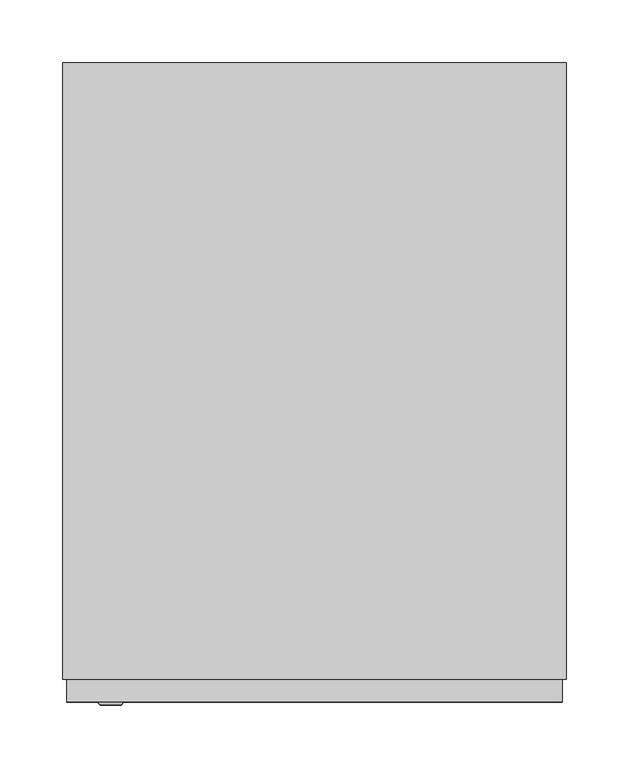
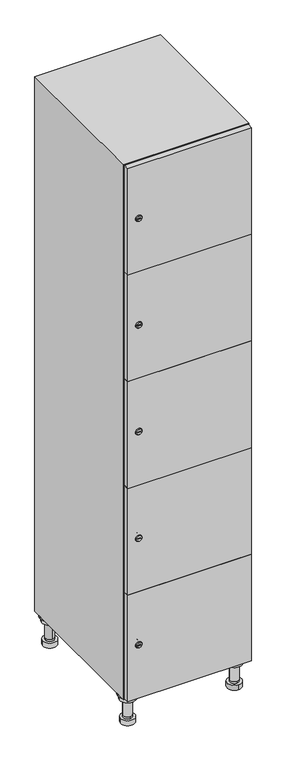
"""IFC4 building model written with IfcOpenShell, lengths in millimetres: furniture geometry."""

from ifc_helpers import new_model, si_unit, point, frame, frame_2d, origin, place, context, project, spatial, polyline, circle_curve, trimmed, segment, composite_curve, outline, extrude, faceted_brep, source, transform, mapped, element, save
from ifc_brep_helpers import plane_surface, cylinder_surface, revolved_surface, advanced_brep


def furniture_ba9162bb(model_context):
    return source(origin(), model_context, "Body", "SolidModel", [
        advanced_brep(
        [(170.0, -201.0, 22.0), (170.0, -201.5, 16.0), (170.0, -228.5, 16.0), (170.0, -229.0, 22.0), (156.0, -215.0, 22.0), (184.0, -215.0, 22.0), (170.0, -192.5, 16.0), (170.0, -237.5, 16.0), (170.0, -192.5, 0.0), (170.0, -237.5, 0.0), (184.0, -215.0, 78.0), (156.0, -215.0, 78.0), (195.0, -215.0, 78.0), (145.0, -215.0, 78.0), (200.0, -215.0, 94.0), (140.0, -215.0, 94.0), (145.0, -215.0, 94.0), (195.0, -215.0, 94.0), (200.0, -215.0, 100.0), (140.0, -215.0, 100.0)],
        [
            (0, 1),
            (1, 2, circle_curve(frame((170.0, -215.0, 16.0), z_axis=(0.0, 0.0, 1.0), x_axis=(0.0, -1.0, 0.0)), 13.5)),
            (2, 3),
            (3, 4, circle_curve(frame((170.0, -215.0, 22.0), z_axis=(0.0, 0.0, -1.0), x_axis=(0.0, -1.0, 0.0)), 14.0)),
            (4, 0, circle_curve(frame((170.0, -215.0, 22.0), z_axis=(0.0, 0.0, -1.0), x_axis=(0.0, -1.0, 0.0)), 14.0)),
            (0, 5, circle_curve(frame((170.0, -215.0, 22.0), z_axis=(0.0, 0.0, -1.0), x_axis=(0.0, 1.0, 0.0)), 14.0)),
            (5, 3, circle_curve(frame((170.0, -215.0, 22.0), z_axis=(0.0, 0.0, -1.0), x_axis=(0.0, 1.0, 0.0)), 14.0)),
            (2, 1, circle_curve(frame((170.0, -215.0, 16.0), z_axis=(0.0, 0.0, 1.0), x_axis=(0.0, 1.0, 0.0)), 13.5)),
            (6, 7, circle_curve(frame((170.0, -215.0, 16.0), z_axis=(0.0, 0.0, 1.0), x_axis=(0.0, -1.0, 0.0)), 22.5)),
            (7, 6, circle_curve(frame((170.0, -215.0, 16.0), z_axis=(0.0, 0.0, 1.0), x_axis=(0.0, -1.0, 0.0)), 22.5)),
            (8, 9, circle_curve(frame((170.0, -215.0, 0.0), z_axis=(0.0, 0.0, -1.0), x_axis=(0.0, -1.0, 0.0)), 22.5)),
            (9, 8, circle_curve(frame((170.0, -215.0, 0.0), z_axis=(0.0, 0.0, -1.0), x_axis=(0.0, -1.0, 0.0)), 22.5)),
            (6, 8),
            (9, 7),
            (5, 10),
            (10, 11, circle_curve(frame((170.0, -215.0, 78.0), z_axis=(0.0, 0.0, -1.0), x_axis=(-1.0, 0.0, 0.0)), 14.0)),
            (11, 4),
            (11, 10, circle_curve(frame((170.0, -215.0, 78.0), z_axis=(0.0, 0.0, -1.0), x_axis=(-1.0, 0.0, 0.0)), 14.0)),
            (12, 13, circle_curve(frame((170.0, -215.0, 78.0), z_axis=(0.0, 0.0, -1.0), x_axis=(-1.0, 0.0, 0.0)), 25.0)),
            (13, 12, circle_curve(frame((170.0, -215.0, 78.0), z_axis=(0.0, 0.0, -1.0), x_axis=(-1.0, 0.0, 0.0)), 25.0)),
            (14, 15, circle_curve(frame((170.0, -215.0, 94.0), z_axis=(0.0, 0.0, -1.0), x_axis=(-1.0, 0.0, 0.0)), 30.0)),
            (15, 14, circle_curve(frame((170.0, -215.0, 94.0), z_axis=(0.0, 0.0, -1.0), x_axis=(-1.0, 0.0, 0.0)), 30.0)),
            (16, 17, circle_curve(frame((170.0, -215.0, 94.0), z_axis=(0.0, 0.0, 1.0), x_axis=(-1.0, 0.0, 0.0)), 25.0)),
            (17, 16, circle_curve(frame((170.0, -215.0, 94.0), z_axis=(0.0, 0.0, 1.0), x_axis=(-1.0, 0.0, 0.0)), 25.0)),
            (18, 19, circle_curve(frame((170.0, -215.0, 100.0), z_axis=(0.0, 0.0, 1.0), x_axis=(-1.0, 0.0, 0.0)), 30.0)),
            (19, 18, circle_curve(frame((170.0, -215.0, 100.0), z_axis=(0.0, 0.0, 1.0), x_axis=(-1.0, 0.0, 0.0)), 30.0)),
            (14, 18),
            (19, 15),
            (12, 17),
            (16, 13),
        ],
        [
            revolved_surface(polyline([(170.0, -201.5, 16.0), (170.0, -201.0, 22.0)]), (170.0, -215.0, -146.0), (0.0, 0.0, 1.0)),
            plane_surface(frame((170.0, 0.0, 16.0), z_axis=(0.0, 0.0, 1.0), x_axis=(0.0, -1.0, 0.0))),
            plane_surface(frame((170.0, 0.0, 0.0), z_axis=(0.0, 0.0, -1.0), x_axis=(0.0, -1.0, 0.0))),
            cylinder_surface(frame((170.0, -215.0, 16.0), z_axis=(0.0, 0.0, 1.0), x_axis=(0.0, -1.0, 0.0)), 22.5),
            cylinder_surface(frame((170.0, -215.0, 22.0), z_axis=(0.0, 0.0, -1.0), x_axis=(-1.0, 0.0, 0.0)), 14.0),
            plane_surface(frame((170.0, 0.0, 78.0), z_axis=(0.0, 0.0, -1.0), x_axis=(0.0, -1.0, 0.0))),
            plane_surface(frame((170.0, 0.0, 94.0), z_axis=(0.0, 0.0, -1.0), x_axis=(0.0, -1.0, 0.0))),
            plane_surface(frame((170.0, 0.0, 100.0), z_axis=(0.0, 0.0, 1.0), x_axis=(0.0, -1.0, 0.0))),
            cylinder_surface(frame((170.0, -215.0, 94.0), z_axis=(0.0, 0.0, -1.0), x_axis=(-1.0, 0.0, 0.0)), 30.0),
            cylinder_surface(frame((170.0, -215.0, 78.0), z_axis=(0.0, 0.0, -1.0), x_axis=(-1.0, 0.0, 0.0)), 25.0),
        ],
        [
            (0, [[1, 2, 3, 4, 5]]),
            (0, [[-1, 6, 7, -3, 8]]),
            (1, [[9, 10], [-2, -8]]),
            (2, [[11, 12]]),
            (3, [[-9, 13, -12, 14]]),
            (3, [[-10, -14, -11, -13]]),
            (4, [[15, 16, 17, -4, -7]]),
            (4, [[-15, -6, -5, -17, 18]]),
            (5, [[19, 20], [-16, -18]]),
            (6, [[21, 22], [23, 24]]),
            (7, [[25, 26]]),
            (8, [[-21, 27, -26, 28]]),
            (8, [[-22, -28, -25, -27]]),
            (9, [[-19, 29, -23, 30]]),
            (9, [[-20, -30, -24, -29]]),
        ],
    ),
        advanced_brep(
        [(-170.0, -201.0, 22.0), (-170.0, -201.5, 16.0), (-170.0, -228.5, 16.0), (-170.0, -229.0, 22.0), (-184.0, -215.0, 22.0), (-156.0, -215.0, 22.0), (-147.5, -215.0, 0.0), (-192.5, -215.0, 0.0), (-147.5, -215.0, 16.0), (-192.5, -215.0, 16.0), (-156.0, -215.0, 78.0), (-184.0, -215.0, 78.0), (-145.0, -215.0, 78.0), (-195.0, -215.0, 78.0), (-140.0, -215.0, 94.0), (-200.0, -215.0, 94.0), (-195.0, -215.0, 94.0), (-145.0, -215.0, 94.0), (-140.0, -215.0, 100.0), (-200.0, -215.0, 100.0)],
        [
            (0, 1),
            (1, 2, circle_curve(frame((-170.0, -215.0, 16.0), z_axis=(0.0, 0.0, 1.0), x_axis=(0.0, -1.0, 0.0)), 13.5)),
            (2, 3),
            (3, 4, circle_curve(frame((-170.0, -215.0, 22.0), z_axis=(0.0, 0.0, -1.0), x_axis=(0.0, -1.0, 0.0)), 14.0)),
            (4, 0, circle_curve(frame((-170.0, -215.0, 22.0), z_axis=(0.0, 0.0, -1.0), x_axis=(0.0, -1.0, 0.0)), 14.0)),
            (0, 5, circle_curve(frame((-170.0, -215.0, 22.0), z_axis=(0.0, 0.0, -1.0), x_axis=(0.0, 1.0, 0.0)), 14.0)),
            (5, 3, circle_curve(frame((-170.0, -215.0, 22.0), z_axis=(0.0, 0.0, -1.0), x_axis=(0.0, 1.0, 0.0)), 14.0)),
            (2, 1, circle_curve(frame((-170.0, -215.0, 16.0), z_axis=(0.0, 0.0, 1.0), x_axis=(0.0, 1.0, 0.0)), 13.5)),
            (6, 7, circle_curve(frame((-170.0, -215.0, 0.0), z_axis=(0.0, 0.0, -1.0), x_axis=(-1.0, 0.0, 0.0)), 22.5)),
            (7, 6, circle_curve(frame((-170.0, -215.0, 0.0), z_axis=(0.0, 0.0, -1.0), x_axis=(-1.0, 0.0, 0.0)), 22.5)),
            (8, 9, circle_curve(frame((-170.0, -215.0, 16.0), z_axis=(0.0, 0.0, 1.0), x_axis=(-1.0, 0.0, 0.0)), 22.5)),
            (9, 8, circle_curve(frame((-170.0, -215.0, 16.0), z_axis=(0.0, 0.0, 1.0), x_axis=(-1.0, 0.0, 0.0)), 22.5)),
            (6, 8),
            (9, 7),
            (5, 10),
            (10, 11, circle_curve(frame((-170.0, -215.0, 78.0), z_axis=(0.0, 0.0, -1.0), x_axis=(-1.0, 0.0, 0.0)), 14.0)),
            (11, 4),
            (11, 10, circle_curve(frame((-170.0, -215.0, 78.0), z_axis=(0.0, 0.0, -1.0), x_axis=(-1.0, 0.0, 0.0)), 14.0)),
            (12, 13, circle_curve(frame((-170.0, -215.0, 78.0), z_axis=(0.0, 0.0, -1.0), x_axis=(-1.0, 0.0, 0.0)), 25.0)),
            (13, 12, circle_curve(frame((-170.0, -215.0, 78.0), z_axis=(0.0, 0.0, -1.0), x_axis=(-1.0, 0.0, 0.0)), 25.0)),
            (14, 15, circle_curve(frame((-170.0, -215.0, 94.0), z_axis=(0.0, 0.0, -1.0), x_axis=(-1.0, 0.0, 0.0)), 30.0)),
            (15, 14, circle_curve(frame((-170.0, -215.0, 94.0), z_axis=(0.0, 0.0, -1.0), x_axis=(-1.0, 0.0, 0.0)), 30.0)),
            (16, 17, circle_curve(frame((-170.0, -215.0, 94.0), z_axis=(0.0, 0.0, 1.0), x_axis=(-1.0, 0.0, 0.0)), 25.0)),
            (17, 16, circle_curve(frame((-170.0, -215.0, 94.0), z_axis=(0.0, 0.0, 1.0), x_axis=(-1.0, 0.0, 0.0)), 25.0)),
            (18, 19, circle_curve(frame((-170.0, -215.0, 100.0), z_axis=(0.0, 0.0, 1.0), x_axis=(-1.0, 0.0, 0.0)), 30.0)),
            (19, 18, circle_curve(frame((-170.0, -215.0, 100.0), z_axis=(0.0, 0.0, 1.0), x_axis=(-1.0, 0.0, 0.0)), 30.0)),
            (14, 18),
            (19, 15),
            (12, 17),
            (16, 13),
        ],
        [
            revolved_surface(polyline([(-170.0, -201.5, 16.0), (-170.0, -201.0, 22.0)]), (-170.0, -215.0, -146.0), (0.0, 0.0, 1.0)),
            plane_surface(frame((-170.0, 0.0, 0.0), z_axis=(0.0, 0.0, -1.0), x_axis=(0.0, -1.0, 0.0))),
            plane_surface(frame((-170.0, 0.0, 16.0), z_axis=(0.0, 0.0, 1.0), x_axis=(0.0, -1.0, 0.0))),
            cylinder_surface(frame((-170.0, -215.0, 0.0), z_axis=(0.0, 0.0, -1.0), x_axis=(-1.0, 0.0, 0.0)), 22.5),
            cylinder_surface(frame((-170.0, -215.0, 22.0), z_axis=(0.0, 0.0, -1.0), x_axis=(-1.0, 0.0, 0.0)), 14.0),
            plane_surface(frame((-170.0, 0.0, 78.0), z_axis=(0.0, 0.0, -1.0), x_axis=(0.0, -1.0, 0.0))),
            plane_surface(frame((-170.0, 0.0, 94.0), z_axis=(0.0, 0.0, -1.0), x_axis=(0.0, -1.0, 0.0))),
            plane_surface(frame((-170.0, 0.0, 100.0), z_axis=(0.0, 0.0, 1.0), x_axis=(0.0, -1.0, 0.0))),
            cylinder_surface(frame((-170.0, -215.0, 94.0), z_axis=(0.0, 0.0, -1.0), x_axis=(-1.0, 0.0, 0.0)), 30.0),
            cylinder_surface(frame((-170.0, -215.0, 78.0), z_axis=(0.0, 0.0, -1.0), x_axis=(-1.0, 0.0, 0.0)), 25.0),
        ],
        [
            (0, [[1, 2, 3, 4, 5]]),
            (0, [[-1, 6, 7, -3, 8]]),
            (1, [[9, 10]]),
            (2, [[11, 12], [-2, -8]]),
            (3, [[-9, 13, -12, 14]]),
            (3, [[-10, -14, -11, -13]]),
            (4, [[15, 16, 17, -4, -7]]),
            (4, [[-15, -6, -5, -17, 18]]),
            (5, [[19, 20], [-16, -18]]),
            (6, [[21, 22], [23, 24]]),
            (7, [[25, 26]]),
            (8, [[-21, 27, -26, 28]]),
            (8, [[-22, -28, -25, -27]]),
            (9, [[-19, 29, -23, 30]]),
            (9, [[-20, -30, -24, -29]]),
        ],
    ),
        advanced_brep(
        [(183.5, 215.0, 16.0), (184.0, 215.0, 22.0), (156.0, 215.0, 22.0), (156.5, 215.0, 16.0), (192.5, 215.0, 0.0), (147.5, 215.0, 0.0), (192.5, 215.0, 16.0), (147.5, 215.0, 16.0), (184.0, 215.0, 78.0), (156.0, 215.0, 78.0), (195.0, 215.0, 78.0), (145.0, 215.0, 78.0), (200.0, 215.0, 94.0), (140.0, 215.0, 94.0), (145.0, 215.0, 94.0), (195.0, 215.0, 94.0), (200.0, 215.0, 100.0), (140.0, 215.0, 100.0)],
        [
            (0, 1),
            (1, 2, circle_curve(frame((170.0, 215.0, 22.0), z_axis=(0.0, 0.0, -1.0), x_axis=(-1.0, 0.0, 0.0)), 14.0)),
            (2, 3),
            (3, 0, circle_curve(frame((170.0, 215.0, 16.0), z_axis=(0.0, 0.0, 1.0), x_axis=(-1.0, 0.0, 0.0)), 13.5)),
            (0, 3, circle_curve(frame((170.0, 215.0, 16.0), z_axis=(0.0, 0.0, 1.0), x_axis=(1.0, 0.0, 0.0)), 13.5)),
            (2, 1, circle_curve(frame((170.0, 215.0, 22.0), z_axis=(0.0, 0.0, -1.0), x_axis=(1.0, 0.0, 0.0)), 14.0)),
            (4, 5, circle_curve(frame((170.0, 215.0, 0.0), z_axis=(0.0, 0.0, -1.0), x_axis=(-1.0, 0.0, 0.0)), 22.5)),
            (5, 4, circle_curve(frame((170.0, 215.0, 0.0), z_axis=(0.0, 0.0, -1.0), x_axis=(-1.0, 0.0, 0.0)), 22.5)),
            (6, 7, circle_curve(frame((170.0, 215.0, 16.0), z_axis=(0.0, 0.0, 1.0), x_axis=(-1.0, 0.0, 0.0)), 22.5)),
            (7, 6, circle_curve(frame((170.0, 215.0, 16.0), z_axis=(0.0, 0.0, 1.0), x_axis=(-1.0, 0.0, 0.0)), 22.5)),
            (4, 6),
            (7, 5),
            (1, 8),
            (8, 9, circle_curve(frame((170.0, 215.0, 78.0), z_axis=(0.0, 0.0, -1.0), x_axis=(-1.0, 0.0, 0.0)), 14.0)),
            (9, 2),
            (9, 8, circle_curve(frame((170.0, 215.0, 78.0), z_axis=(0.0, 0.0, -1.0), x_axis=(-1.0, 0.0, 0.0)), 14.0)),
            (10, 11, circle_curve(frame((170.0, 215.0, 78.0), z_axis=(0.0, 0.0, -1.0), x_axis=(-1.0, 0.0, 0.0)), 25.0)),
            (11, 10, circle_curve(frame((170.0, 215.0, 78.0), z_axis=(0.0, 0.0, -1.0), x_axis=(-1.0, 0.0, 0.0)), 25.0)),
            (12, 13, circle_curve(frame((170.0, 215.0, 94.0), z_axis=(0.0, 0.0, -1.0), x_axis=(-1.0, 0.0, 0.0)), 30.0)),
            (13, 12, circle_curve(frame((170.0, 215.0, 94.0), z_axis=(0.0, 0.0, -1.0), x_axis=(-1.0, 0.0, 0.0)), 30.0)),
            (14, 15, circle_curve(frame((170.0, 215.0, 94.0), z_axis=(0.0, 0.0, 1.0), x_axis=(-1.0, 0.0, 0.0)), 25.0)),
            (15, 14, circle_curve(frame((170.0, 215.0, 94.0), z_axis=(0.0, 0.0, 1.0), x_axis=(-1.0, 0.0, 0.0)), 25.0)),
            (16, 17, circle_curve(frame((170.0, 215.0, 100.0), z_axis=(0.0, 0.0, 1.0), x_axis=(-1.0, 0.0, 0.0)), 30.0)),
            (17, 16, circle_curve(frame((170.0, 215.0, 100.0), z_axis=(0.0, 0.0, 1.0), x_axis=(-1.0, 0.0, 0.0)), 30.0)),
            (12, 16),
            (17, 13),
            (10, 15),
            (14, 11),
        ],
        [
            revolved_surface(polyline([(183.5, 215.0, 16.0), (184.0, 215.0, 22.0)]), (170.0, 215.0, -146.0), (0.0, 0.0, 1.0)),
            plane_surface(frame((170.0, 0.0, 0.0), z_axis=(0.0, 0.0, -1.0), x_axis=(0.0, -1.0, 0.0))),
            plane_surface(frame((170.0, 0.0, 16.0), z_axis=(0.0, 0.0, 1.0), x_axis=(0.0, -1.0, 0.0))),
            cylinder_surface(frame((170.0, 215.0, 0.0), z_axis=(0.0, 0.0, -1.0), x_axis=(-1.0, 0.0, 0.0)), 22.5),
            cylinder_surface(frame((170.0, 215.0, 22.0), z_axis=(0.0, 0.0, -1.0), x_axis=(-1.0, 0.0, 0.0)), 14.0),
            plane_surface(frame((170.0, 0.0, 78.0), z_axis=(0.0, 0.0, -1.0), x_axis=(0.0, -1.0, 0.0))),
            plane_surface(frame((170.0, 0.0, 94.0), z_axis=(0.0, 0.0, -1.0), x_axis=(0.0, -1.0, 0.0))),
            plane_surface(frame((170.0, 0.0, 100.0), z_axis=(0.0, 0.0, 1.0), x_axis=(0.0, -1.0, 0.0))),
            cylinder_surface(frame((170.0, 215.0, 94.0), z_axis=(0.0, 0.0, -1.0), x_axis=(-1.0, 0.0, 0.0)), 30.0),
            cylinder_surface(frame((170.0, 215.0, 78.0), z_axis=(0.0, 0.0, -1.0), x_axis=(-1.0, 0.0, 0.0)), 25.0),
        ],
        [
            (0, [[1, 2, 3, 4]]),
            (0, [[-1, 5, -3, 6]]),
            (1, [[7, 8]]),
            (2, [[9, 10], [-4, -5]]),
            (3, [[-7, 11, -10, 12]]),
            (3, [[-8, -12, -9, -11]]),
            (4, [[13, 14, 15, -2]]),
            (4, [[-13, -6, -15, 16]]),
            (5, [[17, 18], [-14, -16]]),
            (6, [[19, 20], [21, 22]]),
            (7, [[23, 24]]),
            (8, [[-19, 25, -24, 26]]),
            (8, [[-20, -26, -23, -25]]),
            (9, [[-17, 27, -21, 28]]),
            (9, [[-18, -28, -22, -27]]),
        ],
    ),
        advanced_brep(
        [(-156.5, 215.0, 16.0), (-156.0, 215.0, 22.0), (-170.0, 201.0, 22.0), (-184.0, 215.0, 22.0), (-183.5, 215.0, 16.0), (-170.0, 229.0, 22.0), (-147.5, 215.0, 0.0), (-192.5, 215.0, 0.0), (-147.5, 215.0, 16.0), (-192.5, 215.0, 16.0), (-170.0, 229.0, 78.0), (-170.0, 201.0, 78.0), (-145.0, 215.0, 78.0), (-195.0, 215.0, 78.0), (-140.0, 215.0, 94.0), (-200.0, 215.0, 94.0), (-195.0, 215.0, 94.0), (-145.0, 215.0, 94.0), (-140.0, 215.0, 100.0), (-200.0, 215.0, 100.0)],
        [
            (0, 1),
            (1, 2, circle_curve(frame((-170.0, 215.0, 22.0), z_axis=(0.0, 0.0, -1.0), x_axis=(-1.0, 0.0, 0.0)), 14.0)),
            (2, 3, circle_curve(frame((-170.0, 215.0, 22.0), z_axis=(0.0, 0.0, -1.0), x_axis=(-1.0, 0.0, 0.0)), 14.0)),
            (3, 4),
            (4, 0, circle_curve(frame((-170.0, 215.0, 16.0), z_axis=(0.0, 0.0, 1.0), x_axis=(-1.0, 0.0, 0.0)), 13.5)),
            (0, 4, circle_curve(frame((-170.0, 215.0, 16.0), z_axis=(0.0, 0.0, 1.0), x_axis=(1.0, 0.0, 0.0)), 13.5)),
            (3, 5, circle_curve(frame((-170.0, 215.0, 22.0), z_axis=(0.0, 0.0, -1.0), x_axis=(1.0, 0.0, 0.0)), 14.0)),
            (5, 1, circle_curve(frame((-170.0, 215.0, 22.0), z_axis=(0.0, 0.0, -1.0), x_axis=(1.0, 0.0, 0.0)), 14.0)),
            (6, 7, circle_curve(frame((-170.0, 215.0, 0.0), z_axis=(0.0, 0.0, -1.0), x_axis=(-1.0, 0.0, 0.0)), 22.5)),
            (7, 6, circle_curve(frame((-170.0, 215.0, 0.0), z_axis=(0.0, 0.0, -1.0), x_axis=(-1.0, 0.0, 0.0)), 22.5)),
            (8, 9, circle_curve(frame((-170.0, 215.0, 16.0), z_axis=(0.0, 0.0, 1.0), x_axis=(-1.0, 0.0, 0.0)), 22.5)),
            (9, 8, circle_curve(frame((-170.0, 215.0, 16.0), z_axis=(0.0, 0.0, 1.0), x_axis=(-1.0, 0.0, 0.0)), 22.5)),
            (6, 8),
            (9, 7),
            (10, 5),
            (2, 11),
            (11, 10, circle_curve(frame((-170.0, 215.0, 78.0), z_axis=(0.0, 0.0, -1.0), x_axis=(0.0, -1.0, 0.0)), 14.0)),
            (10, 11, circle_curve(frame((-170.0, 215.0, 78.0), z_axis=(0.0, 0.0, -1.0), x_axis=(0.0, -1.0, 0.0)), 14.0)),
            (12, 13, circle_curve(frame((-170.0, 215.0, 78.0), z_axis=(0.0, 0.0, -1.0), x_axis=(-1.0, 0.0, 0.0)), 25.0)),
            (13, 12, circle_curve(frame((-170.0, 215.0, 78.0), z_axis=(0.0, 0.0, -1.0), x_axis=(-1.0, 0.0, 0.0)), 25.0)),
            (14, 15, circle_curve(frame((-170.0, 215.0, 94.0), z_axis=(0.0, 0.0, -1.0), x_axis=(-1.0, 0.0, 0.0)), 30.0)),
            (15, 14, circle_curve(frame((-170.0, 215.0, 94.0), z_axis=(0.0, 0.0, -1.0), x_axis=(-1.0, 0.0, 0.0)), 30.0)),
            (16, 17, circle_curve(frame((-170.0, 215.0, 94.0), z_axis=(0.0, 0.0, 1.0), x_axis=(-1.0, 0.0, 0.0)), 25.0)),
            (17, 16, circle_curve(frame((-170.0, 215.0, 94.0), z_axis=(0.0, 0.0, 1.0), x_axis=(-1.0, 0.0, 0.0)), 25.0)),
            (18, 19, circle_curve(frame((-170.0, 215.0, 100.0), z_axis=(0.0, 0.0, 1.0), x_axis=(-1.0, 0.0, 0.0)), 30.0)),
            (19, 18, circle_curve(frame((-170.0, 215.0, 100.0), z_axis=(0.0, 0.0, 1.0), x_axis=(-1.0, 0.0, 0.0)), 30.0)),
            (14, 18),
            (19, 15),
            (12, 17),
            (16, 13),
        ],
        [
            revolved_surface(polyline([(-156.5, 215.0, 16.0), (-156.0, 215.0, 22.0)]), (-170.0, 215.0, -146.0), (0.0, 0.0, 1.0)),
            plane_surface(frame((-170.0, 0.0, 0.0), z_axis=(0.0, 0.0, -1.0), x_axis=(0.0, -1.0, 0.0))),
            plane_surface(frame((-170.0, 0.0, 16.0), z_axis=(0.0, 0.0, 1.0), x_axis=(0.0, -1.0, 0.0))),
            cylinder_surface(frame((-170.0, 215.0, 0.0), z_axis=(0.0, 0.0, -1.0), x_axis=(-1.0, 0.0, 0.0)), 22.5),
            cylinder_surface(frame((-170.0, 215.0, 78.0), z_axis=(0.0, 0.0, 1.0), x_axis=(0.0, -1.0, 0.0)), 14.0),
            plane_surface(frame((-170.0, 0.0, 78.0), z_axis=(0.0, 0.0, -1.0), x_axis=(0.0, -1.0, 0.0))),
            plane_surface(frame((-170.0, 0.0, 94.0), z_axis=(0.0, 0.0, -1.0), x_axis=(0.0, -1.0, 0.0))),
            plane_surface(frame((-170.0, 0.0, 100.0), z_axis=(0.0, 0.0, 1.0), x_axis=(0.0, -1.0, 0.0))),
            cylinder_surface(frame((-170.0, 215.0, 94.0), z_axis=(0.0, 0.0, -1.0), x_axis=(-1.0, 0.0, 0.0)), 30.0),
            cylinder_surface(frame((-170.0, 215.0, 78.0), z_axis=(0.0, 0.0, -1.0), x_axis=(-1.0, 0.0, 0.0)), 25.0),
        ],
        [
            (0, [[1, 2, 3, 4, 5]]),
            (0, [[-1, 6, -4, 7, 8]]),
            (1, [[9, 10]]),
            (2, [[11, 12], [-5, -6]]),
            (3, [[-9, 13, -12, 14]]),
            (3, [[-10, -14, -11, -13]]),
            (4, [[15, -7, -3, 16, 17]]),
            (4, [[-15, 18, -16, -2, -8]]),
            (5, [[19, 20], [-17, -18]]),
            (6, [[21, 22], [23, 24]]),
            (7, [[25, 26]]),
            (8, [[-21, 27, -26, 28]]),
            (8, [[-22, -28, -25, -27]]),
            (9, [[-19, 29, -23, 30]]),
            (9, [[-20, -30, -24, -29]]),
        ],
    ),
        extrude(outline(composite_curve([segment(trimmed(circle_curve(frame_2d((282.4, -188.7989466)), 7.0), [point((289.4, -188.7989466))], [point((275.4, -188.7989466))], False, "CARTESIAN"), True, "CONTINUOUS"), segment(polyline([(275.4, -188.7989466), (275.4, -160.7989466)]), True, "CONTINUOUS"), segment(trimmed(circle_curve(frame_2d((282.4, -160.7989466)), 7.0), [point((275.4, -160.7989466))], [point((289.4, -160.7989466))], False, "CARTESIAN"), True, "CONTINUOUS"), segment(polyline([(289.4, -160.7989466), (289.4, -188.7989466)]), True, "CONTINUOUS")], self_intersect=False)), frame((0.0, -245.0, 0.0), z_axis=(0.0, 1.0, 0.0), x_axis=(0.0, 0.0, 1.0)), (0.0, 0.0, 1.0), 2.0),
        advanced_brep(
        [(-153.5, -265.2, 282.4), (-170.5, -265.2, 282.4), (-167.0, -265.2, 281.15), (-167.0, -265.2, 283.65), (-157.0, -265.2, 283.65), (-157.0, -265.2, 281.15), (-151.5, -263.0, 282.4), (-172.5, -263.0, 282.4), (-167.0, -263.0, 283.65), (-167.0, -263.0, 281.15), (-157.0, -263.0, 281.15), (-157.0, -263.0, 283.65)],
        [
            (0, 1, circle_curve(frame((-162.0, -265.2, 282.4), z_axis=(0.0, -1.0, 0.0), x_axis=(1.0, 0.0, 0.0)), 8.5)),
            (1, 0, circle_curve(frame((-162.0, -265.2, 282.4), z_axis=(0.0, -1.0, 0.0), x_axis=(-1.0, 0.0, 0.0)), 8.5)),
            (2, 3),
            (3, 4),
            (4, 5),
            (5, 2),
            (6, 7, circle_curve(frame((-162.0, -263.0, 282.4), z_axis=(0.0, 1.0, 0.0), x_axis=(-1.0, 0.0, 0.0)), 10.5)),
            (7, 6, circle_curve(frame((-162.0, -263.0, 282.4), z_axis=(0.0, 1.0, 0.0), x_axis=(1.0, 0.0, 0.0)), 10.5)),
            (8, 9),
            (9, 10),
            (10, 11),
            (11, 8),
            (0, 6),
            (7, 1),
            (8, 3),
            (2, 9),
            (11, 4),
            (10, 5),
        ],
        [
            plane_surface(frame((-162.0, -265.2, 282.4), z_axis=(0.0, -1.0, 0.0), x_axis=(0.0, 0.0, 1.0))),
            plane_surface(frame((-162.0, -263.0, 282.4), z_axis=(0.0, 1.0, 0.0), x_axis=(0.0, 0.0, 1.0))),
            revolved_surface(polyline([(-153.5, -265.2, 282.4), (-151.5, -263.0, 282.4)]), (-162.0, -274.55, 282.4), (0.0, 1.0, 0.0)),
            revolved_surface(polyline([(-170.5, -265.2, 282.4), (-172.5, -263.0, 282.4)]), (-162.0, -274.55, 282.4), (0.0, 1.0, 0.0)),
            plane_surface(frame((-167.0, -263.0, 281.15), z_axis=(1.0, 0.0, 0.0), x_axis=(0.0, -1.0, 0.0))),
            plane_surface(frame((-167.0, -263.0, 283.65), z_axis=(0.0, 0.0, -1.0), x_axis=(0.0, -1.0, 0.0))),
            plane_surface(frame((-157.0, -263.0, 283.65), z_axis=(-1.0, 0.0, 0.0), x_axis=(0.0, -1.0, 0.0))),
            plane_surface(frame((-157.0, -263.0, 281.15), z_axis=(0.0, 0.0, 1.0), x_axis=(0.0, -1.0, 0.0))),
        ],
        [
            (0, [[1, 2], [3, 4, 5, 6]]),
            (1, [[7, 8], [9, 10, 11, 12]]),
            (2, [[-1, 13, -8, 14]]),
            (3, [[-2, -14, -7, -13]]),
            (4, [[15, -3, 16, -9]]),
            (5, [[-15, -12, 17, -4]]),
            (6, [[-17, -11, 18, -5]]),
            (7, [[-16, -6, -18, -10]]),
        ],
    ),
        extrude(outline(composite_curve([segment(trimmed(circle_curve(frame_2d((641.2, -188.7989466)), 7.0), [point((648.2, -188.7989466))], [point((634.2, -188.7989466))], False, "CARTESIAN"), True, "CONTINUOUS"), segment(polyline([(634.2, -188.7989466), (634.2, -160.7989466)]), True, "CONTINUOUS"), segment(trimmed(circle_curve(frame_2d((641.2, -160.7989466)), 7.0), [point((634.2, -160.7989466))], [point((648.2, -160.7989466))], False, "CARTESIAN"), True, "CONTINUOUS"), segment(polyline([(648.2, -160.7989466), (648.2, -188.7989466)]), True, "CONTINUOUS")], self_intersect=False)), frame((0.0, -245.0, 0.0), z_axis=(0.0, 1.0, 0.0), x_axis=(0.0, 0.0, 1.0)), (0.0, 0.0, 1.0), 2.0),
        advanced_brep(
        [(-153.5, -265.2, 641.2), (-170.5, -265.2, 641.2), (-167.0, -265.2, 639.95), (-167.0, -265.2, 642.45), (-157.0, -265.2, 642.45), (-157.0, -265.2, 639.95), (-151.5, -263.0, 641.2), (-172.5, -263.0, 641.2), (-167.0, -263.0, 642.45), (-167.0, -263.0, 639.95), (-157.0, -263.0, 639.95), (-157.0, -263.0, 642.45)],
        [
            (0, 1, circle_curve(frame((-162.0, -265.2, 641.2), z_axis=(0.0, -1.0, 0.0), x_axis=(1.0, 0.0, 0.0)), 8.5)),
            (1, 0, circle_curve(frame((-162.0, -265.2, 641.2), z_axis=(0.0, -1.0, 0.0), x_axis=(-1.0, 0.0, 0.0)), 8.5)),
            (2, 3),
            (3, 4),
            (4, 5),
            (5, 2),
            (6, 7, circle_curve(frame((-162.0, -263.0, 641.2), z_axis=(0.0, 1.0, 0.0), x_axis=(-1.0, 0.0, 0.0)), 10.5)),
            (7, 6, circle_curve(frame((-162.0, -263.0, 641.2), z_axis=(0.0, 1.0, 0.0), x_axis=(1.0, 0.0, 0.0)), 10.5)),
            (8, 9),
            (9, 10),
            (10, 11),
            (11, 8),
            (0, 6),
            (7, 1),
            (8, 3),
            (2, 9),
            (11, 4),
            (10, 5),
        ],
        [
            plane_surface(frame((-162.0, -265.2, 641.2), z_axis=(0.0, -1.0, 0.0), x_axis=(0.0, 0.0, 1.0))),
            plane_surface(frame((-162.0, -263.0, 641.2), z_axis=(0.0, 1.0, 0.0), x_axis=(0.0, 0.0, 1.0))),
            revolved_surface(polyline([(-153.5, -265.2, 641.2), (-151.5, -263.0, 641.2)]), (-162.0, -274.55, 641.2), (0.0, 1.0, 0.0)),
            revolved_surface(polyline([(-170.5, -265.2, 641.2), (-172.5, -263.0, 641.2)]), (-162.0, -274.55, 641.2), (0.0, 1.0, 0.0)),
            plane_surface(frame((-167.0, -263.0, 639.95), z_axis=(1.0, 0.0, 0.0), x_axis=(0.0, -1.0, 0.0))),
            plane_surface(frame((-167.0, -263.0, 642.45), z_axis=(0.0, 0.0, -1.0), x_axis=(0.0, -1.0, 0.0))),
            plane_surface(frame((-157.0, -263.0, 642.45), z_axis=(-1.0, 0.0, 0.0), x_axis=(0.0, -1.0, 0.0))),
            plane_surface(frame((-157.0, -263.0, 639.95), z_axis=(0.0, 0.0, 1.0), x_axis=(0.0, -1.0, 0.0))),
        ],
        [
            (0, [[1, 2], [3, 4, 5, 6]]),
            (1, [[7, 8], [9, 10, 11, 12]]),
            (2, [[-1, 13, -8, 14]]),
            (3, [[-2, -14, -7, -13]]),
            (4, [[15, -3, 16, -9]]),
            (5, [[-15, -12, 17, -4]]),
            (6, [[-17, -11, 18, -5]]),
            (7, [[-16, -6, -18, -10]]),
        ],
    ),
        extrude(outline(composite_curve([segment(trimmed(circle_curve(frame_2d((1000.0, -188.7989466)), 7.0), [point((1007.0, -188.7989466))], [point((993.0, -188.7989466))], False, "CARTESIAN"), True, "CONTINUOUS"), segment(polyline([(993.0, -188.7989466), (993.0, -160.7989466)]), True, "CONTINUOUS"), segment(trimmed(circle_curve(frame_2d((1000.0, -160.7989466)), 7.0), [point((993.0, -160.7989466))], [point((1007.0, -160.7989466))], False, "CARTESIAN"), True, "CONTINUOUS"), segment(polyline([(1007.0, -160.7989466), (1007.0, -188.7989466)]), True, "CONTINUOUS")], self_intersect=False)), frame((0.0, -245.0, 0.0), z_axis=(0.0, 1.0, 0.0), x_axis=(0.0, 0.0, 1.0)), (0.0, 0.0, 1.0), 2.0),
        advanced_brep(
        [(-153.5, -265.2, 1000.0), (-170.5, -265.2, 1000.0), (-167.0, -265.2, 998.75), (-167.0, -265.2, 1001.25), (-157.0, -265.2, 1001.25), (-157.0, -265.2, 998.75), (-151.5, -263.0, 1000.0), (-172.5, -263.0, 1000.0), (-167.0, -263.0, 1001.25), (-167.0, -263.0, 998.75), (-157.0, -263.0, 998.75), (-157.0, -263.0, 1001.25)],
        [
            (0, 1, circle_curve(frame((-162.0, -265.2, 1000.0), z_axis=(0.0, -1.0, 0.0), x_axis=(1.0, 0.0, 0.0)), 8.5)),
            (1, 0, circle_curve(frame((-162.0, -265.2, 1000.0), z_axis=(0.0, -1.0, 0.0), x_axis=(-1.0, 0.0, 0.0)), 8.5)),
            (2, 3),
            (3, 4),
            (4, 5),
            (5, 2),
            (6, 7, circle_curve(frame((-162.0, -263.0, 1000.0), z_axis=(0.0, 1.0, 0.0), x_axis=(-1.0, 0.0, 0.0)), 10.5)),
            (7, 6, circle_curve(frame((-162.0, -263.0, 1000.0), z_axis=(0.0, 1.0, 0.0), x_axis=(1.0, 0.0, 0.0)), 10.5)),
            (8, 9),
            (9, 10),
            (10, 11),
            (11, 8),
            (0, 6),
            (7, 1),
            (8, 3),
            (2, 9),
            (11, 4),
            (10, 5),
        ],
        [
            plane_surface(frame((-162.0, -265.2, 1000.0), z_axis=(0.0, -1.0, 0.0), x_axis=(0.0, 0.0, 1.0))),
            plane_surface(frame((-162.0, -263.0, 1000.0), z_axis=(0.0, 1.0, 0.0), x_axis=(0.0, 0.0, 1.0))),
            revolved_surface(polyline([(-153.5, -265.2, 1000.0), (-151.5, -263.0, 1000.0)]), (-162.0, -274.55, 1000.0), (0.0, 1.0, 0.0)),
            revolved_surface(polyline([(-170.5, -265.2, 1000.0), (-172.5, -263.0, 1000.0)]), (-162.0, -274.55, 1000.0), (0.0, 1.0, 0.0)),
            plane_surface(frame((-167.0, -263.0, 998.75), z_axis=(1.0, 0.0, 0.0), x_axis=(0.0, -1.0, 0.0))),
            plane_surface(frame((-167.0, -263.0, 1001.25), z_axis=(0.0, 0.0, -1.0), x_axis=(0.0, -1.0, 0.0))),
            plane_surface(frame((-157.0, -263.0, 1001.25), z_axis=(-1.0, 0.0, 0.0), x_axis=(0.0, -1.0, 0.0))),
            plane_surface(frame((-157.0, -263.0, 998.75), z_axis=(0.0, 0.0, 1.0), x_axis=(0.0, -1.0, 0.0))),
        ],
        [
            (0, [[1, 2], [3, 4, 5, 6]]),
            (1, [[7, 8], [9, 10, 11, 12]]),
            (2, [[-1, 13, -8, 14]]),
            (3, [[-2, -14, -7, -13]]),
            (4, [[15, -3, 16, -9]]),
            (5, [[-15, -12, 17, -4]]),
            (6, [[-17, -11, 18, -5]]),
            (7, [[-16, -6, -18, -10]]),
        ],
    ),
        extrude(outline(composite_curve([segment(trimmed(circle_curve(frame_2d((1358.8, -188.7989466)), 7.0), [point((1365.8, -188.7989466))], [point((1351.8, -188.7989466))], False, "CARTESIAN"), True, "CONTINUOUS"), segment(polyline([(1351.8, -188.7989466), (1351.8, -160.7989466)]), True, "CONTINUOUS"), segment(trimmed(circle_curve(frame_2d((1358.8, -160.7989466)), 7.0), [point((1351.8, -160.7989466))], [point((1365.8, -160.7989466))], False, "CARTESIAN"), True, "CONTINUOUS"), segment(polyline([(1365.8, -160.7989466), (1365.8, -188.7989466)]), True, "CONTINUOUS")], self_intersect=False)), frame((0.0, -245.0, 0.0), z_axis=(0.0, 1.0, 0.0), x_axis=(0.0, 0.0, 1.0)), (0.0, 0.0, 1.0), 2.0),
        advanced_brep(
        [(-153.5, -265.2, 1358.8), (-170.5, -265.2, 1358.8), (-167.0, -265.2, 1357.55), (-167.0, -265.2, 1360.05), (-157.0, -265.2, 1360.05), (-157.0, -265.2, 1357.55), (-151.5, -263.0, 1358.8), (-172.5, -263.0, 1358.8), (-167.0, -263.0, 1360.05), (-167.0, -263.0, 1357.55), (-157.0, -263.0, 1357.55), (-157.0, -263.0, 1360.05)],
        [
            (0, 1, circle_curve(frame((-162.0, -265.2, 1358.8), z_axis=(0.0, -1.0, 0.0), x_axis=(1.0, 0.0, 0.0)), 8.5)),
            (1, 0, circle_curve(frame((-162.0, -265.2, 1358.8), z_axis=(0.0, -1.0, 0.0), x_axis=(-1.0, 0.0, 0.0)), 8.5)),
            (2, 3),
            (3, 4),
            (4, 5),
            (5, 2),
            (6, 7, circle_curve(frame((-162.0, -263.0, 1358.8), z_axis=(0.0, 1.0, 0.0), x_axis=(-1.0, 0.0, 0.0)), 10.5)),
            (7, 6, circle_curve(frame((-162.0, -263.0, 1358.8), z_axis=(0.0, 1.0, 0.0), x_axis=(1.0, 0.0, 0.0)), 10.5)),
            (8, 9),
            (9, 10),
            (10, 11),
            (11, 8),
            (0, 6),
            (7, 1),
            (8, 3),
            (2, 9),
            (11, 4),
            (10, 5),
        ],
        [
            plane_surface(frame((-162.0, -265.2, 1358.8), z_axis=(0.0, -1.0, 0.0), x_axis=(0.0, 0.0, 1.0))),
            plane_surface(frame((-162.0, -263.0, 1358.8), z_axis=(0.0, 1.0, 0.0), x_axis=(0.0, 0.0, 1.0))),
            revolved_surface(polyline([(-153.5, -265.2, 1358.8), (-151.5, -263.0, 1358.8)]), (-162.0, -274.55, 1358.8), (0.0, 1.0, 0.0)),
            revolved_surface(polyline([(-170.5, -265.2, 1358.8), (-172.5, -263.0, 1358.8)]), (-162.0, -274.55, 1358.8), (0.0, 1.0, 0.0)),
            plane_surface(frame((-167.0, -263.0, 1357.55), z_axis=(1.0, 0.0, 0.0), x_axis=(0.0, -1.0, 0.0))),
            plane_surface(frame((-167.0, -263.0, 1360.05), z_axis=(0.0, 0.0, -1.0), x_axis=(0.0, -1.0, 0.0))),
            plane_surface(frame((-157.0, -263.0, 1360.05), z_axis=(-1.0, 0.0, 0.0), x_axis=(0.0, -1.0, 0.0))),
            plane_surface(frame((-157.0, -263.0, 1357.55), z_axis=(0.0, 0.0, 1.0), x_axis=(0.0, -1.0, 0.0))),
        ],
        [
            (0, [[1, 2], [3, 4, 5, 6]]),
            (1, [[7, 8], [9, 10, 11, 12]]),
            (2, [[-1, 13, -8, 14]]),
            (3, [[-2, -14, -7, -13]]),
            (4, [[15, -3, 16, -9]]),
            (5, [[-15, -12, 17, -4]]),
            (6, [[-17, -11, 18, -5]]),
            (7, [[-16, -6, -18, -10]]),
        ],
    ),
        extrude(outline(composite_curve([segment(trimmed(circle_curve(frame_2d((1717.6, -188.7989466)), 7.0), [point((1724.6, -188.7989466))], [point((1710.6, -188.7989466))], False, "CARTESIAN"), True, "CONTINUOUS"), segment(polyline([(1710.6, -188.7989466), (1710.6, -160.7989466)]), True, "CONTINUOUS"), segment(trimmed(circle_curve(frame_2d((1717.6, -160.7989466)), 7.0), [point((1710.6, -160.7989466))], [point((1724.6, -160.7989466))], False, "CARTESIAN"), True, "CONTINUOUS"), segment(polyline([(1724.6, -160.7989466), (1724.6, -188.7989466)]), True, "CONTINUOUS")], self_intersect=False)), frame((0.0, -245.0, 0.0), z_axis=(0.0, 1.0, 0.0), x_axis=(0.0, 0.0, 1.0)), (0.0, 0.0, 1.0), 2.0),
        advanced_brep(
        [(-153.5, -265.2, 1717.6), (-170.5, -265.2, 1717.6), (-167.0, -265.2, 1716.35), (-167.0, -265.2, 1718.85), (-157.0, -265.2, 1718.85), (-157.0, -265.2, 1716.35), (-151.5, -263.0, 1717.6), (-172.5, -263.0, 1717.6), (-167.0, -263.0, 1718.85), (-167.0, -263.0, 1716.35), (-157.0, -263.0, 1716.35), (-157.0, -263.0, 1718.85)],
        [
            (0, 1, circle_curve(frame((-162.0, -265.2, 1717.6), z_axis=(0.0, -1.0, 0.0), x_axis=(1.0, 0.0, 0.0)), 8.5)),
            (1, 0, circle_curve(frame((-162.0, -265.2, 1717.6), z_axis=(0.0, -1.0, 0.0), x_axis=(-1.0, 0.0, 0.0)), 8.5)),
            (2, 3),
            (3, 4),
            (4, 5),
            (5, 2),
            (6, 7, circle_curve(frame((-162.0, -263.0, 1717.6), z_axis=(0.0, 1.0, 0.0), x_axis=(-1.0, 0.0, 0.0)), 10.5)),
            (7, 6, circle_curve(frame((-162.0, -263.0, 1717.6), z_axis=(0.0, 1.0, 0.0), x_axis=(1.0, 0.0, 0.0)), 10.5)),
            (8, 9),
            (9, 10),
            (10, 11),
            (11, 8),
            (0, 6),
            (7, 1),
            (8, 3),
            (2, 9),
            (11, 4),
            (10, 5),
        ],
        [
            plane_surface(frame((-162.0, -265.2, 1717.6), z_axis=(0.0, -1.0, 0.0), x_axis=(0.0, 0.0, 1.0))),
            plane_surface(frame((-162.0, -263.0, 1717.6), z_axis=(0.0, 1.0, 0.0), x_axis=(0.0, 0.0, 1.0))),
            revolved_surface(polyline([(-153.5, -265.2, 1717.6), (-151.5, -263.0, 1717.6)]), (-162.0, -274.55, 1717.6), (0.0, 1.0, 0.0)),
            revolved_surface(polyline([(-170.5, -265.2, 1717.6), (-172.5, -263.0, 1717.6)]), (-162.0, -274.55, 1717.6), (0.0, 1.0, 0.0)),
            plane_surface(frame((-167.0, -263.0, 1716.35), z_axis=(1.0, 0.0, 0.0), x_axis=(0.0, -1.0, 0.0))),
            plane_surface(frame((-167.0, -263.0, 1718.85), z_axis=(0.0, 0.0, -1.0), x_axis=(0.0, -1.0, 0.0))),
            plane_surface(frame((-157.0, -263.0, 1718.85), z_axis=(-1.0, 0.0, 0.0), x_axis=(0.0, -1.0, 0.0))),
            plane_surface(frame((-157.0, -263.0, 1716.35), z_axis=(0.0, 0.0, 1.0), x_axis=(0.0, -1.0, 0.0))),
        ],
        [
            (0, [[1, 2], [3, 4, 5, 6]]),
            (1, [[7, 8], [9, 10, 11, 12]]),
            (2, [[-1, 13, -8, 14]]),
            (3, [[-2, -14, -7, -13]]),
            (4, [[15, -3, 16, -9]]),
            (5, [[-15, -12, 17, -4]]),
            (6, [[-17, -11, 18, -5]]),
            (7, [[-16, -6, -18, -10]]),
        ],
    ),
        extrude(outline(polyline([(197.0, -245.0), (197.0, -263.0), (-197.0, -263.0), (-197.0, -245.0), (197.0, -245.0)])), frame((0.0, 0.0, 820.1), z_axis=(0.0, 0.0, 1.0), x_axis=(1.0, 0.0, 0.0)), (0.0, 0.0, 1.0), 359.8),
        extrude(outline(polyline([(197.0, -245.0), (197.0, -263.0), (-197.0, -263.0), (-197.0, -245.0), (197.0, -245.0)])), frame((0.0, 0.0, 461.3), z_axis=(0.0, 0.0, 1.0), x_axis=(1.0, 0.0, 0.0)), (0.0, 0.0, 1.0), 359.8),
        extrude(outline(polyline([(197.0, -245.0), (197.0, -263.0), (-197.0, -263.0), (-197.0, -245.0), (197.0, -245.0)])), frame((0.0, 0.0, 1178.9), z_axis=(0.0, 0.0, 1.0), x_axis=(1.0, 0.0, 0.0)), (0.0, 0.0, 1.0), 358.8),
        extrude(outline(polyline([(-197.0, -263.0), (-197.0, -245.0), (197.0, -245.0), (197.0, -263.0), (-197.0, -263.0)])), frame((0.0, 0.0, 1538.7), z_axis=(0.0, 0.0, 1.0), x_axis=(1.0, 0.0, 0.0)), (0.0, 0.0, 1.0), 358.3),
        extrude(outline(polyline([(197.0, -245.0), (197.0, -263.0), (-197.0, -263.0), (-197.0, -245.0), (197.0, -245.0)])), frame((0.0, 0.0, 103.0), z_axis=(0.0, 0.0, 1.0), x_axis=(1.0, 0.0, 0.0)), (0.0, 0.0, 1.0), 359.3),
        extrude(outline(polyline([(182.0, 227.0), (182.0, -227.0), (-182.0, -227.0), (-182.0, 227.0), (182.0, 227.0)])), frame((0.0, 0.0, 1520.2), z_axis=(0.0, 0.0, 1.0), x_axis=(1.0, 0.0, 0.0)), (0.0, 0.0, 1.0), 18.0),
        extrude(outline(polyline([(182.0, 227.0), (182.0, -227.0), (-182.0, -227.0), (-182.0, 227.0), (182.0, 227.0)])), frame((0.0, 0.0, 1167.4), z_axis=(0.0, 0.0, 1.0), x_axis=(1.0, 0.0, 0.0)), (0.0, 0.0, 1.0), 18.0),
        extrude(outline(polyline([(182.0, 227.0), (182.0, -227.0), (-182.0, -227.0), (-182.0, 227.0), (182.0, 227.0)])), frame((0.0, 0.0, 814.6), z_axis=(0.0, 0.0, 1.0), x_axis=(1.0, 0.0, 0.0)), (0.0, 0.0, 1.0), 18.0),
        extrude(outline(polyline([(-182.0, 227.0), (182.0, 227.0), (182.0, -227.0), (-182.0, -227.0), (-182.0, 227.0)])), frame((0.0, 0.0, 461.8), z_axis=(0.0, 0.0, 1.0), x_axis=(1.0, 0.0, 0.0)), (0.0, 0.0, 1.0), 18.0),
        faceted_brep([(200.0, -245.0, 100.0), (200.0, -245.0, 1900.0), (-200.0, -245.0, 1900.0), (-200.0, -245.0, 100.0), (182.0, -245.0, 1882.0), (182.0, -245.0, 118.0), (-182.0, -245.0, 118.0), (-182.0, -245.0, 1882.0), (200.0, 245.0, 100.0), (-200.0, 245.0, 100.0), (200.0, 245.0, 1900.0), (-200.0, 245.0, 1900.0), (182.0, 227.0, 1882.0), (182.0, 227.0, 118.0), (-200.0, 245.0, 1882.0), (-182.0, 227.0, 1882.0), (-182.0, 227.0, 118.0)], [[[0, 1, 2, 3], [4, 5, 6, 7]], [[8, 0, 3, 9]], [[1, 0, 8, 10]], [[1, 10, 11, 2]], [[4, 12, 13, 5]], [[9, 3, 2, 11, 14]], [[10, 8, 9, 14, 11]], [[12, 15, 16, 13]], [[15, 7, 6, 16]], [[4, 7, 15, 12]], [[6, 5, 13, 16]]]),
    ])


if __name__ == "__main__":
    model = new_model("IFC4")
    model_context = context("Model", 3, world=origin())
    ifc_project = project(units=[si_unit("LENGTHUNIT", "METRE", prefix="MILLI")], contexts=[model_context])
    site = spatial("IfcSite", under=ifc_project)
    building = spatial("IfcBuilding", under=site)
    placement = place(None, origin())
    furniture_shape = furniture_ba9162bb(model_context)
    element("IfcFurniture", 1, at=placement, inside=building, context=model_context, shape_type="MappedRepresentation", body=[
        mapped(furniture_shape, transform((0.0, 0.0, 0.0), x_axis=(1.0, 0.0, 0.0), y_axis=(0.0, 1.0, 0.0), z_axis=(0.0, 0.0, 1.0))),
    ])
    save(model, "model.ifc")
